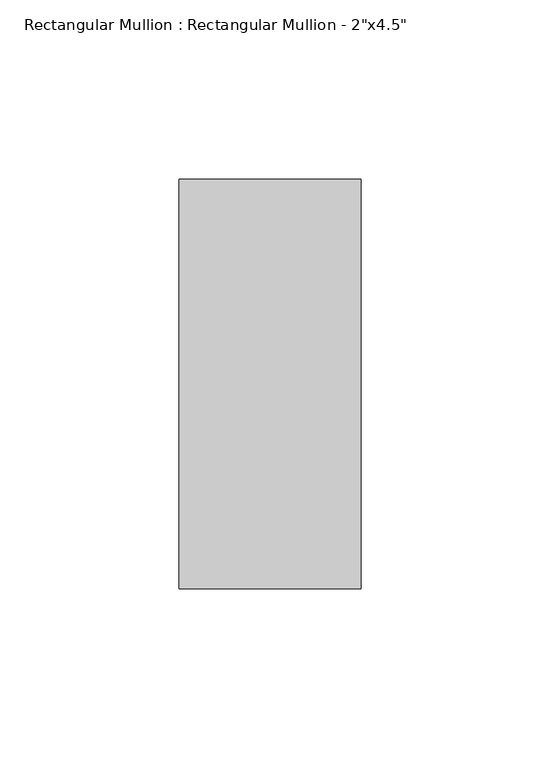
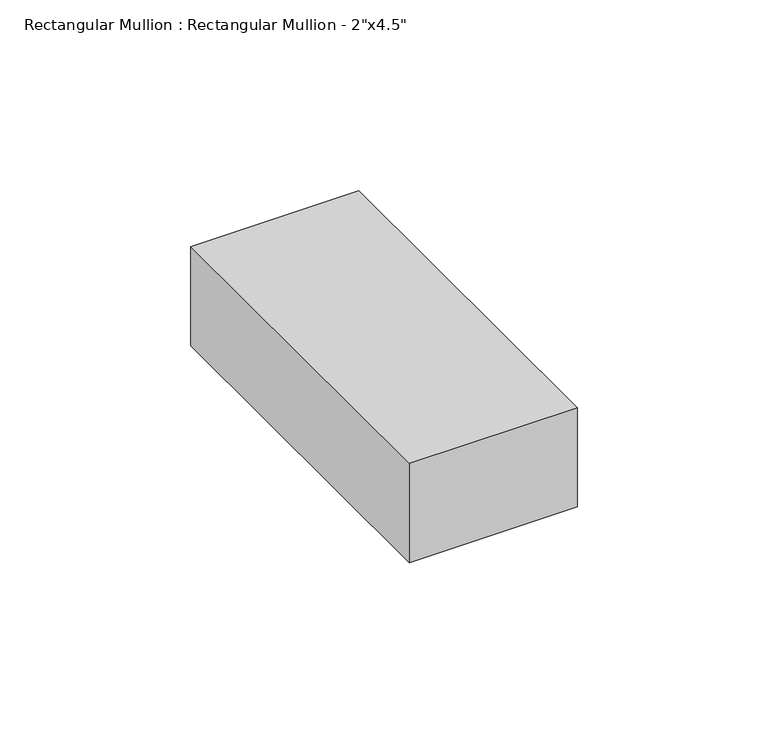
"""IFC4 building model written with IfcOpenShell, lengths in millimetres: member geometry."""

from ifc_helpers import new_model, si_unit, frame, origin, place, context, project, spatial, polyline, outline, extrude, source, transform, mapped, element, save


def member_3ad870d3(model_context):
    return source(origin(), model_context, "Body", "SweptSolid", [
        extrude(outline(polyline([(25.4, 57.15), (25.4, -57.15), (-25.4, -57.15), (-25.4, 57.15), (25.4, 57.15)])), frame((0.0, 0.0, -31.75), z_axis=(0.0, 0.0, 1.0), x_axis=(1.0, 0.0, 0.0)), (0.0, 0.0, 1.0), 31.75),
    ])


if __name__ == "__main__":
    model = new_model("IFC4")
    model_context = context("Model", 3, world=origin())
    ifc_project = project(units=[si_unit("LENGTHUNIT", "METRE", prefix="MILLI")], contexts=[model_context])
    site = spatial("IfcSite", under=ifc_project)
    building = spatial("IfcBuilding", under=site)
    placement = place(None, origin())
    member_shape = member_3ad870d3(model_context)
    element("IfcMember", 1, ObjectType="Rectangular Mullion : Rectangular Mullion - 2\"x4.5\"", at=placement, inside=building, context=model_context, shape_type="MappedRepresentation", body=[
        mapped(member_shape, transform((0.0, 0.0, 0.0), x_axis=(1.0, 0.0, 0.0), y_axis=(0.0, 1.0, 0.0), z_axis=(0.0, 0.0, 1.0))),
    ])
    save(model, "model.ifc")
